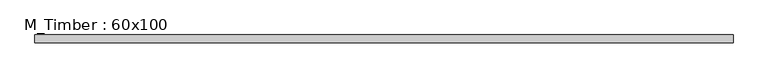
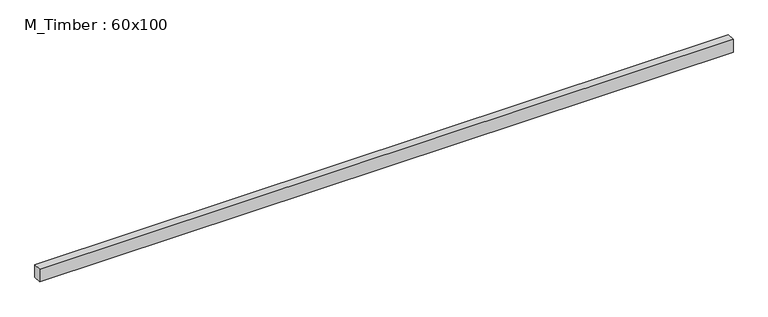
"""IFC4 building model written with IfcOpenShell, lengths in millimetres: beam geometry, M_Timber : 60x100."""

from ifc_helpers import new_model, si_unit, frame, origin, place, context, project, spatial, polyline, outline, extrude, source, transform, mapped, element, save


def m_timber_60x100_db948ea2(model_context):
    return source(origin(), model_context, "Body", "SweptSolid", [
        extrude(outline(polyline([(2510.8897519, 30.0), (2510.8897519, -30.0), (-2704.2244322, -30.0), (-2704.2244322, 30.0), (2510.8897519, 30.0)])), frame((0.0, 0.0, -50.0), z_axis=(0.0, 0.0, 1.0), x_axis=(1.0, 0.0, 0.0)), (0.0, 0.0, 1.0), 100.0),
    ])


if __name__ == "__main__":
    model = new_model("IFC4")
    model_context = context("Model", 3, world=origin())
    ifc_project = project(units=[si_unit("LENGTHUNIT", "METRE", prefix="MILLI")], contexts=[model_context])
    site = spatial("IfcSite", under=ifc_project)
    building = spatial("IfcBuilding", under=site)
    placement = place(None, origin())
    m_timber_60x100_shape = m_timber_60x100_db948ea2(model_context)
    element("IfcBeam", 1, ObjectType="M_Timber : 60x100", at=placement, inside=building, context=model_context, shape_type="MappedRepresentation", body=[
        mapped(m_timber_60x100_shape, transform((0.0, 0.0, 0.0), x_axis=(1.0, 0.0, 0.0), y_axis=(0.0, 1.0, 0.0), z_axis=(0.0, 0.0, 1.0))),
    ])
    save(model, "model.ifc")
